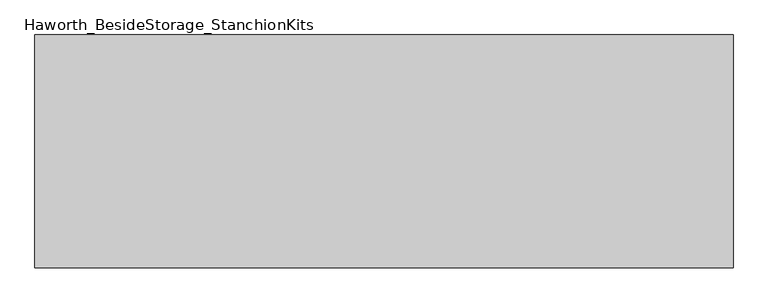
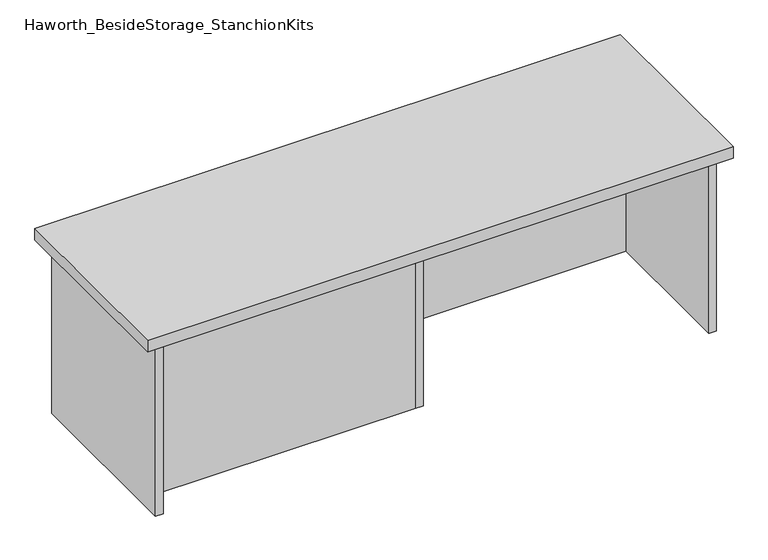
"""IFC4 building model written with IfcOpenShell, lengths in millimetres: furniture geometry, Haworth_BesideStorage_StanchionKits."""

from ifc_helpers import new_model, si_unit, frame, origin, place, context, project, spatial, polyline, outline, extrude, source, transform, mapped, element, save


def haworth_besidestorage_stanchionkits_082755f1(model_context):
    return source(origin(), model_context, "Body", "SweptSolid", [
        extrude(outline(polyline([(771.525, 0.0), (771.525, -406.4), (-447.675, -406.4), (-447.675, 0.0), (771.525, 0.0)])), frame((0.0, 0.0, 812.8), z_axis=(0.0, 0.0, 1.0), x_axis=(1.0, 0.0, 0.0)), (0.0, 0.0, 1.0), 25.4),
        extrude(outline(polyline([(169.8625, -76.2), (730.25, -76.2), (730.25, -92.075), (169.8625, -92.075), (169.8625, -76.2)])), frame((0.0, 0.0, 431.8), z_axis=(0.0, 0.0, 1.0), x_axis=(1.0, 0.0, 0.0)), (0.0, 0.0, 1.0), 381.0),
        extrude(outline(polyline([(153.9875, -314.325), (153.9875, -330.2), (-406.4, -330.2), (-406.4, -314.325), (153.9875, -314.325)])), frame((0.0, 0.0, 431.8), z_axis=(0.0, 0.0, 1.0), x_axis=(1.0, 0.0, 0.0)), (0.0, 0.0, 1.0), 381.0),
        extrude(outline(polyline([(169.8625, -330.2), (153.9875, -330.2), (153.9875, -76.2), (169.8625, -76.2), (169.8625, -330.2)])), frame((0.0, 0.0, 431.8), z_axis=(0.0, 0.0, 1.0), x_axis=(1.0, 0.0, 0.0)), (0.0, 0.0, 1.0), 381.0),
        extrude(outline(polyline([(746.125, -390.525), (730.25, -390.525), (730.25, -15.875), (746.125, -15.875), (746.125, -390.525)])), frame((0.0, 0.0, 431.8), z_axis=(0.0, 0.0, 1.0), x_axis=(1.0, 0.0, 0.0)), (0.0, 0.0, 1.0), 381.0),
        extrude(outline(polyline([(-406.4, -390.525), (-422.275, -390.525), (-422.275, -15.875), (-406.4, -15.875), (-406.4, -390.525)])), frame((0.0, 0.0, 431.8), z_axis=(0.0, 0.0, 1.0), x_axis=(1.0, 0.0, 0.0)), (0.0, 0.0, 1.0), 381.0),
    ])


if __name__ == "__main__":
    model = new_model("IFC4")
    model_context = context("Model", 3, world=origin())
    ifc_project = project(units=[si_unit("LENGTHUNIT", "METRE", prefix="MILLI")], contexts=[model_context])
    site = spatial("IfcSite", under=ifc_project)
    building = spatial("IfcBuilding", under=site)
    placement = place(None, origin())
    haworth_besidestorage_stanchionkits_shape = haworth_besidestorage_stanchionkits_082755f1(model_context)
    element("IfcFurniture", 1, ObjectType="Haworth_BesideStorage_StanchionKits", at=placement, inside=building, context=model_context, shape_type="MappedRepresentation", body=[
        mapped(haworth_besidestorage_stanchionkits_shape, transform((0.0, 0.0, 0.0), x_axis=(1.0, 0.0, 0.0), y_axis=(0.0, 1.0, 0.0), z_axis=(0.0, 0.0, 1.0))),
    ])
    save(model, "model.ifc")
